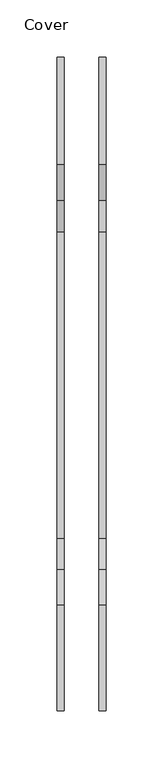
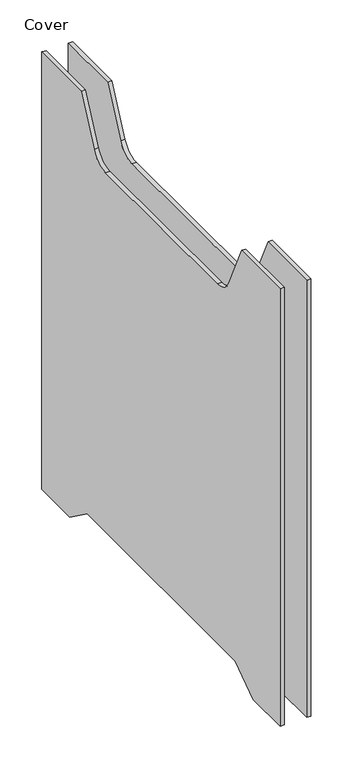
"""IFC4 building model written with IfcOpenShell, lengths in millimetres: furniture geometry, Cover."""

from ifc_helpers import new_model, si_unit, point, frame, frame_2d, origin, place, context, project, spatial, polyline, circle_curve, trimmed, segment, composite_curve, outline, extrude, source, transform, mapped, element, save


def cover_181c5478(model_context):
    return source(origin(), model_context, "Body", "SweptSolid", [
        extrude(outline(composite_curve([segment(polyline([(166.5381307, 649.0002113), (260.5558235, 649.0002113), (260.5558235, 10.0002448), (193.676163, 10.0002448), (151.9858949, 40.0001831), (-202.9282377, 40.0001831), (-245.7722884, 10.0004558), (-309.9661438, 10.0004867), (-309.9661438, 649.0002113), (-217.5869158, 649.0002113), (-186.5767816, 582.4987639)]), True, "CONTINUOUS"), segment(trimmed(circle_curve(frame_2d((-159.387548, 595.1773118)), 30.0), [point((-186.5767816, 582.4987639))], [point((-159.387548, 565.1773118))], True, "CARTESIAN"), True, "CONTINUOUS"), segment(polyline([(-159.387548, 565.1773118), (108.3387629, 565.1773118)]), True, "CONTINUOUS"), segment(trimmed(circle_curve(frame_2d((108.3387629, 595.1773118)), 30.0), [point((108.3387629, 565.1773118))], [point((135.5279965, 582.4987639))], True, "CARTESIAN"), True, "CONTINUOUS"), segment(polyline([(135.5279965, 582.4987639), (166.5381307, 649.0002113)]), True, "CONTINUOUS")], self_intersect=False)), frame((15.3830196, 0.0, 0.0), z_axis=(1.0, 0.0, 0.0), x_axis=(0.0, 1.0, 0.0)), (0.0, 0.0, 1.0), 5.9248431),
        extrude(outline(composite_curve([segment(polyline([(166.5381307, 649.0002113), (260.5558235, 649.0002113), (260.5558235, 10.0002448), (193.676163, 10.0002448), (151.9858949, 40.0001831), (-202.9282377, 40.0001831), (-245.7722884, 10.0004558), (-309.9661438, 10.0004867), (-309.9661438, 649.0002113), (-217.5869158, 649.0002113), (-186.5767816, 582.4987639)]), True, "CONTINUOUS"), segment(trimmed(circle_curve(frame_2d((-159.387548, 595.1773118)), 30.0), [point((-186.5767816, 582.4987639))], [point((-159.387548, 565.1773118))], True, "CARTESIAN"), True, "CONTINUOUS"), segment(polyline([(-159.387548, 565.1773118), (108.3387629, 565.1773118)]), True, "CONTINUOUS"), segment(trimmed(circle_curve(frame_2d((108.3387629, 595.1773118)), 30.0), [point((108.3387629, 565.1773118))], [point((135.5279965, 582.4987639))], True, "CARTESIAN"), True, "CONTINUOUS"), segment(polyline([(135.5279965, 582.4987639), (166.5381307, 649.0002113)]), True, "CONTINUOUS")], self_intersect=False)), frame((-21.3078628, 0.0, 0.0), z_axis=(1.0, 0.0, 0.0), x_axis=(0.0, 1.0, 0.0)), (0.0, 0.0, 1.0), 5.9248431),
    ])


if __name__ == "__main__":
    model = new_model("IFC4")
    model_context = context("Model", 3, world=origin())
    ifc_project = project(units=[si_unit("LENGTHUNIT", "METRE", prefix="MILLI")], contexts=[model_context])
    site = spatial("IfcSite", under=ifc_project)
    building = spatial("IfcBuilding", under=site)
    placement = place(None, origin())
    cover_shape = cover_181c5478(model_context)
    element("IfcFurniture", 1, ObjectType="Cover", at=placement, inside=building, context=model_context, shape_type="MappedRepresentation", body=[
        mapped(cover_shape, transform((0.0, 0.0, 0.0), x_axis=(1.0, 0.0, 0.0), y_axis=(0.0, 1.0, 0.0), z_axis=(0.0, 0.0, 1.0))),
    ])
    save(model, "model.ifc")
